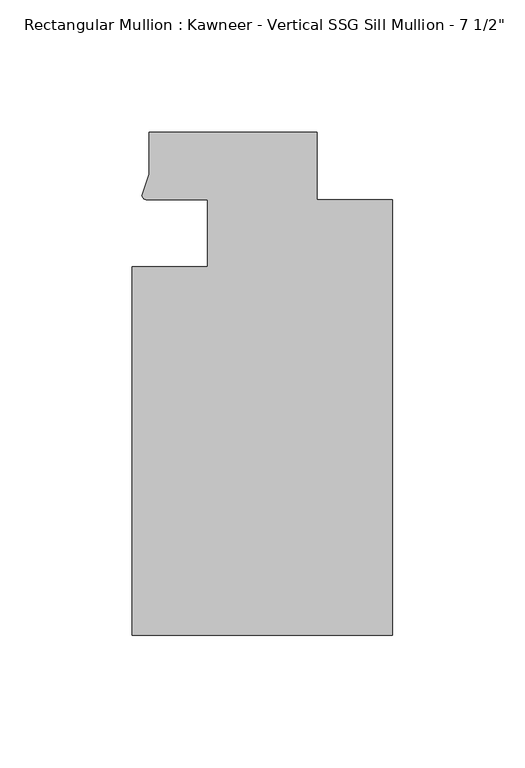
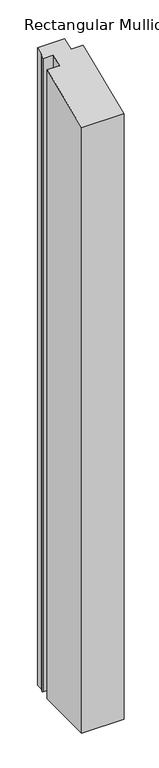
"""IFC4 building model written with IfcOpenShell, lengths in millimetres: member geometry."""

from ifc_helpers import new_model, si_unit, frame, origin, place, context, project, spatial, circle_curve, ellipse_curve, source, transform, mapped, element, save
from ifc_brep_helpers import plane_surface, cylinder_surface, advanced_brep


def member_c6a3170a(model_context):
    return source(origin(), model_context, "Body", "AdvancedBrep", [
        advanced_brep(
        [(-69.85, -12.7, -1554.4148281), (-69.85, 12.700061, -1554.4148281), (-93.1091288, 12.700061, -1554.4148281), (-94.7258552, 14.2884292, -1554.4148281), (-92.075, 22.2250977, -1554.4148281), (-92.075, 38.1, -1554.4148281), (-28.575, 38.1, -1554.4148281), (-28.575, 12.7, -1554.4148281), (0.0, 12.7, -1554.4148281), (0.0, -151.892, -1554.4148281), (-98.425, -151.892, -1554.4148281), (-98.425, -12.7, -1554.4148281), (-98.425, -12.7, -5.2605122), (-69.85, -12.7, -5.2605122), (-98.425, -151.892, -62.9157264), (0.0, -151.892, -62.9157264), (0.0, 12.7, 5.2605122), (-28.575, 12.7, 5.2605122), (-28.575, 38.1, 15.7815367), (-92.075, 38.1, 15.7815367), (-92.075, 22.2250977, 9.2059369), (-94.7258552, 14.2884292, 5.9184612), (-93.1091288, 12.700061, 5.2605375), (-69.85, 12.700061, 5.2605375)],
        [
            (0, 1),
            (1, 2),
            (2, 3, circle_curve(frame((-93.0262373, 14.401412, -1554.4148281), z_axis=(0.0, 0.0, -1.0), x_axis=(-0.04866327869705179, -0.9988152408260765, 0.0)), 1.703369)),
            (3, 4),
            (4, 5),
            (5, 6),
            (6, 7),
            (7, 8),
            (8, 9),
            (9, 10),
            (10, 11),
            (11, 0),
            (12, 13),
            (13, 0),
            (11, 12),
            (14, 12),
            (10, 14),
            (15, 14),
            (9, 15),
            (16, 15),
            (8, 16),
            (17, 16),
            (7, 17),
            (18, 17),
            (6, 18),
            (19, 18),
            (5, 19),
            (20, 19),
            (4, 20),
            (21, 20),
            (3, 21),
            (22, 21, ellipse_curve(frame((-93.0262373, 14.401412, 5.9652602), z_axis=(0.0, 0.3826834323650881, -0.9238795325112875), x_axis=(0.0, 0.9238795325112876, 0.3826834323650877)), 1.8437134, 1.703369)),
            (2, 22),
            (23, 22),
            (1, 23),
            (13, 23),
        ],
        [
            plane_surface(frame((0.0, -180.9935366, -1554.4148281), z_axis=(0.0, 0.0, -1.0), x_axis=(-1.0, 0.0, 0.0))),
            plane_surface(frame((-69.85, -12.7, 0.0), z_axis=(0.0, 1.0, 0.0), x_axis=(0.0, 0.0, -1.0))),
            plane_surface(frame((-98.425, -12.7, 0.0), z_axis=(-1.0, 0.0, 0.0), x_axis=(0.0, 0.0, -1.0))),
            plane_surface(frame((-98.425, -151.892, 0.0), z_axis=(0.0, -1.0, 0.0), x_axis=(0.0, 0.0, -1.0))),
            plane_surface(frame((0.0, -151.892, 0.0), z_axis=(1.0, 0.0, 0.0), x_axis=(0.0, 0.0, -1.0))),
            plane_surface(frame((0.0, 12.7, 0.0), z_axis=(0.0, 1.0, 0.0), x_axis=(0.0, 0.0, -1.0))),
            plane_surface(frame((-28.575, 12.7, 0.0), z_axis=(1.0, 0.0, 0.0), x_axis=(0.0, 0.0, -1.0))),
            plane_surface(frame((-28.575, 38.1, 0.0), z_axis=(0.0, 1.0, 0.0), x_axis=(0.0, 0.0, -1.0))),
            plane_surface(frame((-92.075, 38.1, 0.0), z_axis=(-1.0, 0.0, 0.0), x_axis=(0.0, 0.0, -1.0))),
            plane_surface(frame((-92.075, 22.2250977, 0.0), z_axis=(-0.9484931443165878, 0.3167976565324192, 0.0), x_axis=(0.0, 0.0, -1.0))),
            cylinder_surface(frame((-93.0262373, 14.401412, 0.0), z_axis=(0.0, 0.0, 1.0000000000000002), x_axis=(-0.04866327869705179, -0.9988152408260765, 0.0)), 1.703369),
            plane_surface(frame((-93.1091288, 12.700061, 0.0), z_axis=(0.0, -1.0, 0.0), x_axis=(0.0, 0.0, -1.0))),
            plane_surface(frame((-69.85, 12.700061, 0.0), z_axis=(-1.0, 0.0, 0.0), x_axis=(0.0, 0.0, -1.0))),
            plane_surface(frame((304.8, 0.0, 0.0), z_axis=(0.0, -0.3826834323650881, 0.9238795325112875), x_axis=(0.0, -0.9238795325112875, -0.3826834323650881))),
        ],
        [
            (0, [[1, 2, 3, 4, 5, 6, 7, 8, 9, 10, 11, 12]]),
            (1, [[13, 14, -12, 15]]),
            (2, [[16, -15, -11, 17]]),
            (3, [[18, -17, -10, 19]]),
            (4, [[20, -19, -9, 21]]),
            (5, [[22, -21, -8, 23]]),
            (6, [[24, -23, -7, 25]]),
            (7, [[26, -25, -6, 27]]),
            (8, [[28, -27, -5, 29]]),
            (9, [[30, -29, -4, 31]]),
            (10, [[32, -31, -3, 33]]),
            (11, [[34, -33, -2, 35]]),
            (12, [[36, -35, -1, -14]]),
            (13, [[-13, -16, -18, -20, -22, -24, -26, -28, -30, -32, -34, -36]]),
        ],
    ),
    ])


if __name__ == "__main__":
    model = new_model("IFC4")
    model_context = context("Model", 3, world=origin())
    ifc_project = project(units=[si_unit("LENGTHUNIT", "METRE", prefix="MILLI")], contexts=[model_context])
    site = spatial("IfcSite", under=ifc_project)
    building = spatial("IfcBuilding", under=site)
    placement = place(None, origin())
    member_shape = member_c6a3170a(model_context)
    element("IfcMember", 1, ObjectType="Rectangular Mullion : Kawneer - Vertical SSG Sill Mullion - 7 1/2\"", at=placement, inside=building, context=model_context, shape_type="MappedRepresentation", body=[
        mapped(member_shape, transform((0.0, 0.0, 0.0), x_axis=(1.0, 0.0, 0.0), y_axis=(0.0, 1.0, 0.0), z_axis=(0.0, 0.0, 1.0))),
    ])
    save(model, "model.ifc")
